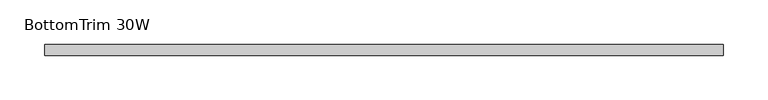
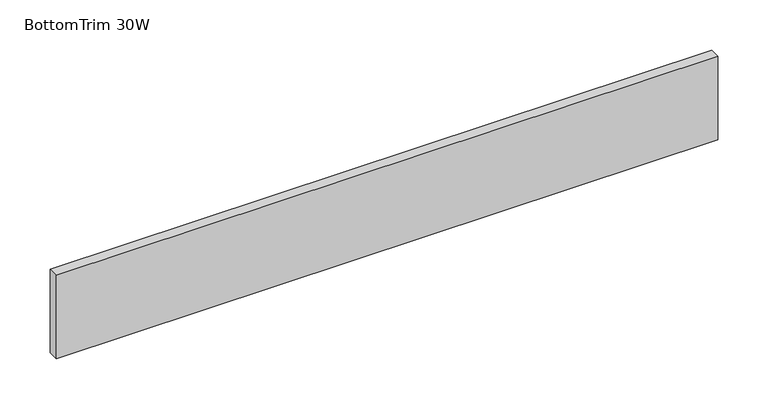
"""IFC4 building model written with IfcOpenShell, lengths in millimetres: furniture geometry, BottomTrim 30W."""

from ifc_helpers import new_model, si_unit, frame, origin, place, context, project, spatial, polyline, outline, extrude, source, transform, mapped, element, save


def bottomtrim_30w_934dea7a(model_context):
    return source(origin(), model_context, "Body", "SweptSolid", [
        extrude(outline(polyline([(0.0, -50.8000015), (0.0, -38.1), (762.0, -38.1), (762.0, -50.8000015), (0.0, -50.8000015)])), frame((0.0, 0.0, 25.4), z_axis=(0.0, 0.0, 1.0), x_axis=(1.0, 0.0, 0.0)), (0.0, 0.0, 1.0), 101.600003),
    ])


if __name__ == "__main__":
    model = new_model("IFC4")
    model_context = context("Model", 3, world=origin())
    ifc_project = project(units=[si_unit("LENGTHUNIT", "METRE", prefix="MILLI")], contexts=[model_context])
    site = spatial("IfcSite", under=ifc_project)
    building = spatial("IfcBuilding", under=site)
    placement = place(None, origin())
    bottomtrim_30w_shape = bottomtrim_30w_934dea7a(model_context)
    element("IfcFurniture", 1, ObjectType="BottomTrim 30W", at=placement, inside=building, context=model_context, shape_type="MappedRepresentation", body=[
        mapped(bottomtrim_30w_shape, transform((0.0, 0.0, 0.0), x_axis=(1.0, 0.0, 0.0), y_axis=(0.0, 1.0, 0.0), z_axis=(0.0, 0.0, 1.0))),
    ])
    save(model, "model.ifc")
